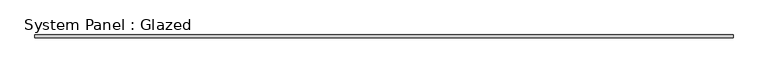
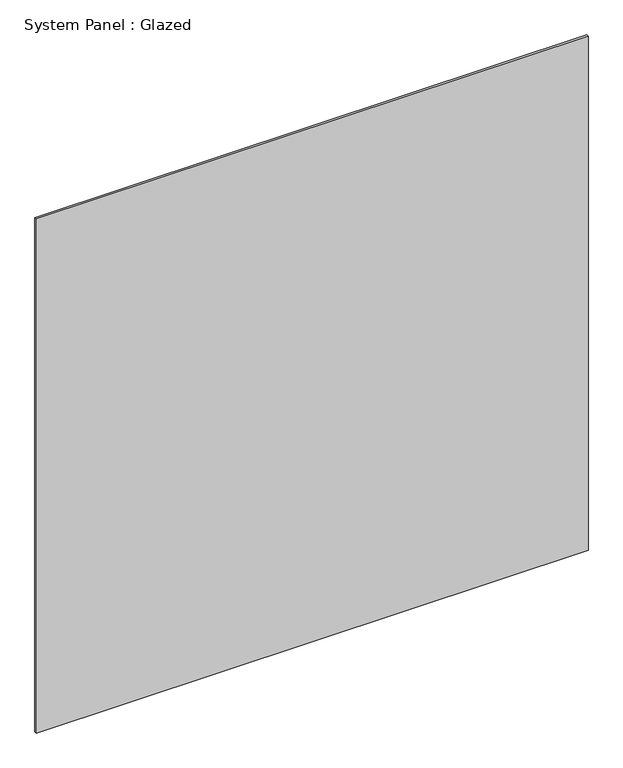
"""IFC4 building model written with IfcOpenShell, lengths in millimetres: plate geometry, System Panel : Glazed."""

from ifc_helpers import new_model, si_unit, origin, origin_with_axes, place, context, project, spatial, polyline, outline, extrude, source, transform, mapped, element, save


def system_panel_glazed_0c56f931(model_context):
    return source(origin(), model_context, "Body", "SweptSolid", [
        extrude(outline(polyline([(739.775, 31.025), (-739.775, 31.025), (-739.775, 37.375), (739.775, 37.375), (739.775, 31.025)])), origin_with_axes(), (0.0, 0.0, 1.0), 1457.3107752),
    ])


if __name__ == "__main__":
    model = new_model("IFC4")
    model_context = context("Model", 3, world=origin())
    ifc_project = project(units=[si_unit("LENGTHUNIT", "METRE", prefix="MILLI")], contexts=[model_context])
    site = spatial("IfcSite", under=ifc_project)
    building = spatial("IfcBuilding", under=site)
    placement = place(None, origin())
    system_panel_glazed_shape = system_panel_glazed_0c56f931(model_context)
    element("IfcPlate", 1, ObjectType="System Panel : Glazed", at=placement, inside=building, context=model_context, shape_type="MappedRepresentation", body=[
        mapped(system_panel_glazed_shape, transform((0.0, 0.0, 0.0), x_axis=(1.0, 0.0, 0.0), y_axis=(0.0, 1.0, 0.0), z_axis=(0.0, 0.0, 1.0))),
    ])
    save(model, "model.ifc")
